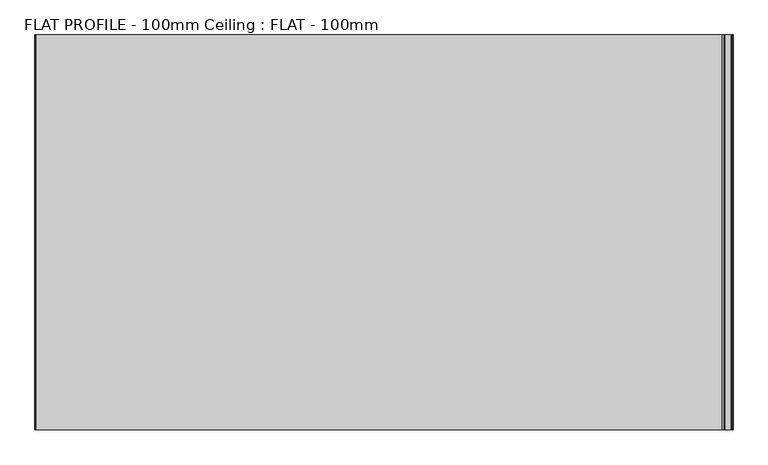
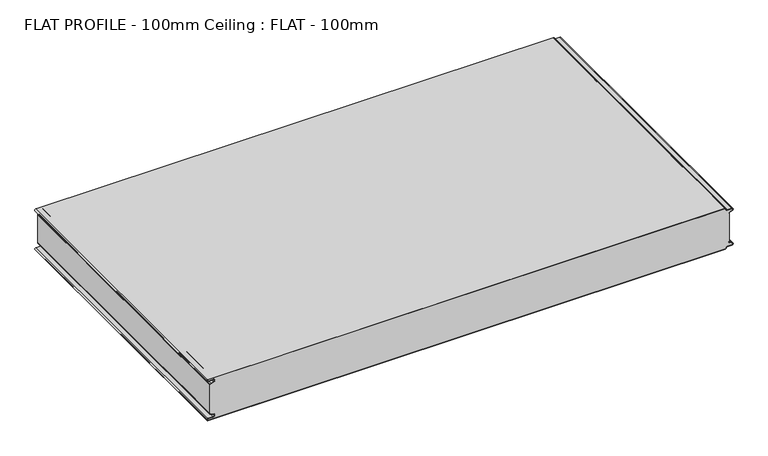
"""IFC4 building model written with IfcOpenShell, lengths in millimetres: proxy geometry, FLAT PROFILE - 100mm Ceiling : FLAT - 100mm."""

from ifc_helpers import new_model, si_unit, point, frame, frame_2d, origin, place, context, project, spatial, polyline, circle_curve, trimmed, segment, composite_curve, outline, extrude, source, transform, mapped, element, save


def flat_profile_100mm_ceiling_flat_100mm_7cf9c173(model_context):
    return source(origin(), model_context, "Body", "SweptSolid", [
        extrude(outline(composite_curve([segment(polyline([(-591.3794419, 36.112897), (-589.3904999, 36.9138857), (-583.8995097, 38.9124426)]), True, "CONTINUOUS"), segment(trimmed(circle_curve(frame_2d((-585.2882153, 42.3376495)), 3.6960175), [point((-583.8995097, 38.9124426))], [point((-584.9273771, 46.0160107))], True, "CARTESIAN"), True, "CONTINUOUS"), segment(polyline([(-584.9273771, 46.0160107), (-597.3733883, 46.0160107)]), True, "CONTINUOUS"), segment(trimmed(circle_curve(frame_2d((-597.4921978, 47.5112981)), 1.5), [point((-597.3733883, 46.0160107))], [point((-597.3084562, 49.0000019))], False, "CARTESIAN"), True, "CONTINUOUS"), segment(polyline([(-597.3084562, 49.0000019), (596.902372, 49.0000019)]), True, "CONTINUOUS"), segment(trimmed(circle_curve(frame_2d((596.9047345, 47.4926459)), 1.5073578), [point((596.902372, 49.0000019))], [point((598.4115951, 47.4539338))], False, "CARTESIAN"), True, "CONTINUOUS"), segment(trimmed(circle_curve(frame_2d((601.9112919, 47.5000019)), 3.5), [point((598.4115951, 47.4539338))], [point((601.9112919, 44.0000019))], True, "CARTESIAN"), True, "CONTINUOUS"), segment(polyline([(601.9112919, 44.0000019), (612.3116271, 44.0000019)]), True, "CONTINUOUS"), segment(trimmed(circle_curve(frame_2d((612.3116271, 41.9000019)), 2.1), [point((612.3116271, 44.0000019))], [point((613.0435993, 39.9316989))], False, "CARTESIAN"), True, "CONTINUOUS"), segment(polyline([(613.0435993, 39.9316989), (610.7828028, 39.1063001), (607.8546835, 37.9154156)]), True, "CONTINUOUS"), segment(trimmed(circle_curve(frame_2d((608.9399875, 35.2468954)), 2.8807786), [point((607.8546835, 37.9154156))], [point((606.0682599, 35.475074))], True, "CARTESIAN"), True, "CONTINUOUS"), segment(polyline([(606.0682599, 35.475074), (606.0107004, 34.2522232), (607.0118076, 34.2522232), (607.0118076, -34.2522195), (606.0107004, -34.2522195), (606.0682599, -35.4750703)]), True, "CONTINUOUS"), segment(trimmed(circle_curve(frame_2d((608.9399875, -35.2468916)), 2.8807786), [point((606.0682599, -35.4750703))], [point((607.8546835, -37.9154119))], True, "CARTESIAN"), True, "CONTINUOUS"), segment(polyline([(607.8546835, -37.9154119), (610.7828028, -39.1062964), (613.0435993, -39.9316951)]), True, "CONTINUOUS"), segment(trimmed(circle_curve(frame_2d((612.3116271, -41.8999981)), 2.1), [point((613.0435993, -39.9316951))], [point((612.3116271, -43.9999981))], False, "CARTESIAN"), True, "CONTINUOUS"), segment(polyline([(612.3116271, -43.9999981), (601.9112919, -43.9999981)]), True, "CONTINUOUS"), segment(trimmed(circle_curve(frame_2d((601.9112919, -47.4999981)), 3.5), [point((601.9112919, -43.9999981))], [point((598.4115951, -47.45393))], True, "CARTESIAN"), True, "CONTINUOUS"), segment(trimmed(circle_curve(frame_2d((596.9047345, -47.4926422)), 1.5073578), [point((598.4115951, -47.45393))], [point((596.902372, -48.9999981))], False, "CARTESIAN"), True, "CONTINUOUS"), segment(polyline([(596.902372, -48.9999981), (-597.3084562, -48.9999981)]), True, "CONTINUOUS"), segment(trimmed(circle_curve(frame_2d((-597.4921978, -47.5112943)), 1.5), [point((-597.3084562, -48.9999981))], [point((-597.3733883, -46.016007))], False, "CARTESIAN"), True, "CONTINUOUS"), segment(polyline([(-597.3733883, -46.016007), (-584.9273771, -46.016007)]), True, "CONTINUOUS"), segment(trimmed(circle_curve(frame_2d((-585.2882153, -42.3376458)), 3.6960175), [point((-584.9273771, -46.016007))], [point((-583.8995097, -38.9124389))], True, "CARTESIAN"), True, "CONTINUOUS"), segment(polyline([(-583.8995097, -38.9124389), (-589.3904999, -36.9138819), (-591.3794419, -36.1128932)]), True, "CONTINUOUS"), segment(trimmed(circle_curve(frame_2d((-591.0050311, -35.1831907)), 1.0022625), [point((-591.3794419, -36.1128932))], [point((-591.9881924, -35.3779319))], False, "CARTESIAN"), True, "CONTINUOUS"), segment(polyline([(-591.9881924, -35.3779319), (-591.9881924, -34.2522213), (-592.9881924, -34.2522213), (-592.9881924, 34.2522214), (-591.9881924, 34.2522214), (-591.9881924, 35.3779357)]), True, "CONTINUOUS"), segment(trimmed(circle_curve(frame_2d((-591.0050311, 35.1831944)), 1.0022625), [point((-591.9881924, 35.3779357))], [point((-591.3794419, 36.112897))], False, "CARTESIAN"), True, "CONTINUOUS")], self_intersect=False)), frame((0.0, 1812.4999952, 2499.9999963), z_axis=(0.0, 1.0, 6.810226142717486e-10), x_axis=(1.0, 0.0, 0.0)), (0.0, 0.0, 1.0), 687.500005),
        extrude(outline(composite_curve([segment(trimmed(circle_curve(frame_2d((-591.0050311, 35.1831926)), 1.0022625), [point((-591.3794419, 36.1128951))], [point((-591.9881924, 35.3779338))], True, "CARTESIAN"), True, "CONTINUOUS"), segment(polyline([(-591.9881924, 35.3779338), (-591.9881924, 34.2522195), (-592.9881924, 34.2522195), (-592.9881924, 35.4591033)]), True, "CONTINUOUS"), segment(trimmed(circle_curve(frame_2d((-591.0050311, 35.1831926)), 2.0022625), [point((-592.9881924, 35.4591033))], [point((-591.7530074, 37.0404989))], False, "CARTESIAN"), True, "CONTINUOUS"), segment(polyline([(-591.7530074, 37.0404989), (-589.7483949, 37.8477985), (-584.2598383, 39.8454697)]), True, "CONTINUOUS"), segment(trimmed(circle_curve(frame_2d((-585.2882153, 42.3376477)), 2.6960175), [point((-584.2598383, 39.8454697))], [point((-584.9801705, 45.0160089))], True, "CARTESIAN"), True, "CONTINUOUS"), segment(polyline([(-584.9801705, 45.0160089), (-597.3387672, 45.0160089)]), True, "CONTINUOUS"), segment(trimmed(circle_curve(frame_2d((-597.4921978, 47.5112962)), 2.5), [point((-597.3387672, 45.0160089))], [point((-597.2548091, 50.0))], False, "CARTESIAN"), True, "CONTINUOUS"), segment(polyline([(-597.2548091, 50.0), (596.9016875, 50.0)]), True, "CONTINUOUS"), segment(trimmed(circle_curve(frame_2d((596.9047345, 47.4926441)), 2.5073578), [point((596.9016875, 50.0))], [point((599.4117582, 47.4517157))], False, "CARTESIAN"), True, "CONTINUOUS"), segment(trimmed(circle_curve(frame_2d((601.9112919, 47.5)), 2.5), [point((599.4117582, 47.4517157))], [point((601.9112919, 45.0))], True, "CARTESIAN"), True, "CONTINUOUS"), segment(polyline([(601.9112919, 45.0), (612.3116271, 45.0)]), True, "CONTINUOUS"), segment(trimmed(circle_curve(frame_2d((612.3116271, 41.9)), 3.1), [point((612.3116271, 45.0))], [point((613.3890842, 38.9932688))], False, "CARTESIAN"), True, "CONTINUOUS"), segment(polyline([(613.3890842, 38.9932688), (611.1427659, 38.173156), (608.2411829, 37.054925)]), True, "CONTINUOUS"), segment(trimmed(circle_curve(frame_2d((609.0514567, 35.1592648)), 2.0615701), [point((608.2411829, 37.054925))], [point((607.0118076, 35.4591033))], True, "CARTESIAN"), True, "CONTINUOUS"), segment(polyline([(607.0118076, 35.4591033), (607.0118076, 34.2522214), (606.0107004, 34.2522214), (606.0682599, 35.4750722)]), True, "CONTINUOUS"), segment(trimmed(circle_curve(frame_2d((608.9399875, 35.2468935)), 2.8807786), [point((606.0682599, 35.4750722))], [point((607.8546835, 37.9154137))], False, "CARTESIAN"), True, "CONTINUOUS"), segment(polyline([(607.8546835, 37.9154137), (610.7828028, 39.1062983), (613.0435993, 39.931697)]), True, "CONTINUOUS"), segment(trimmed(circle_curve(frame_2d((612.3116271, 41.9)), 2.1), [point((613.0435993, 39.931697))], [point((612.3116271, 44.0))], True, "CARTESIAN"), True, "CONTINUOUS"), segment(polyline([(612.3116271, 44.0), (601.9112919, 44.0)]), True, "CONTINUOUS"), segment(trimmed(circle_curve(frame_2d((601.9112919, 47.5)), 3.5), [point((601.9112919, 44.0))], [point((598.4115951, 47.4539319))], False, "CARTESIAN"), True, "CONTINUOUS"), segment(trimmed(circle_curve(frame_2d((596.9047345, 47.4926441)), 1.5073578), [point((598.4115951, 47.4539319))], [point((596.902372, 49.0))], True, "CARTESIAN"), True, "CONTINUOUS"), segment(polyline([(596.902372, 49.0), (-597.3084562, 49.0)]), True, "CONTINUOUS"), segment(trimmed(circle_curve(frame_2d((-597.4921978, 47.5112962)), 1.5), [point((-597.3084562, 49.0))], [point((-597.3733883, 46.0160089))], True, "CARTESIAN"), True, "CONTINUOUS"), segment(polyline([(-597.3733883, 46.0160089), (-584.9273771, 46.0160089)]), True, "CONTINUOUS"), segment(trimmed(circle_curve(frame_2d((-585.2882153, 42.3376477)), 3.6960175), [point((-584.9273771, 46.0160089))], [point((-583.8995097, 38.9124408))], False, "CARTESIAN"), True, "CONTINUOUS"), segment(polyline([(-583.8995097, 38.9124408), (-589.3904999, 36.9138838), (-591.3794419, 36.1128951)]), True, "CONTINUOUS")], self_intersect=False)), frame((0.0, 1812.4999935, 2500.0000097), z_axis=(0.0, 1.0, 6.810226142717486e-10), x_axis=(1.0, 0.0, 0.0)), (0.0, 0.0, 1.0), 687.500005),
        extrude(outline(composite_curve([segment(polyline([(-591.3794419, -36.1128951), (-589.3904999, -36.9138838), (-583.8995097, -38.9124407)]), True, "CONTINUOUS"), segment(trimmed(circle_curve(frame_2d((-585.2882153, -42.3376476)), 3.6960175), [point((-583.8995097, -38.9124407))], [point((-584.9273771, -46.0160088))], False, "CARTESIAN"), True, "CONTINUOUS"), segment(polyline([(-584.9273771, -46.0160088), (-597.3733883, -46.0160088)]), True, "CONTINUOUS"), segment(trimmed(circle_curve(frame_2d((-597.4921978, -47.5112962)), 1.5), [point((-597.3733883, -46.0160088))], [point((-597.3084562, -49.0))], True, "CARTESIAN"), True, "CONTINUOUS"), segment(polyline([(-597.3084562, -49.0), (596.902372, -49.0)]), True, "CONTINUOUS"), segment(trimmed(circle_curve(frame_2d((596.9047345, -47.492644)), 1.5073578), [point((596.902372, -49.0))], [point((598.4115951, -47.4539319))], True, "CARTESIAN"), True, "CONTINUOUS"), segment(trimmed(circle_curve(frame_2d((601.9112919, -47.5)), 3.5), [point((598.4115951, -47.4539319))], [point((601.9112919, -44.0))], False, "CARTESIAN"), True, "CONTINUOUS"), segment(polyline([(601.9112919, -44.0), (612.3116271, -44.0)]), True, "CONTINUOUS"), segment(trimmed(circle_curve(frame_2d((612.3116271, -41.9)), 2.1), [point((612.3116271, -44.0))], [point((613.0435993, -39.931697))], True, "CARTESIAN"), True, "CONTINUOUS"), segment(polyline([(613.0435993, -39.931697), (610.7828028, -39.1062982), (607.8546835, -37.9154137)]), True, "CONTINUOUS"), segment(trimmed(circle_curve(frame_2d((608.9399875, -35.2468935)), 2.8807786), [point((607.8546835, -37.9154137))], [point((606.0682599, -35.4750721))], False, "CARTESIAN"), True, "CONTINUOUS"), segment(polyline([(606.0682599, -35.4750721), (606.0107004, -34.2522214), (607.0118076, -34.2522214), (607.0118076, -35.4591033)]), True, "CONTINUOUS"), segment(trimmed(circle_curve(frame_2d((609.0514567, -35.1592647)), 2.0615701), [point((607.0118076, -35.4591033))], [point((608.2411829, -37.054925))], True, "CARTESIAN"), True, "CONTINUOUS"), segment(polyline([(608.2411829, -37.054925), (611.1427659, -38.173156), (613.3890842, -38.9932688)]), True, "CONTINUOUS"), segment(trimmed(circle_curve(frame_2d((612.3116271, -41.9)), 3.1), [point((613.3890842, -38.9932688))], [point((612.3116271, -45.0))], False, "CARTESIAN"), True, "CONTINUOUS"), segment(polyline([(612.3116271, -45.0), (601.9112919, -45.0)]), True, "CONTINUOUS"), segment(trimmed(circle_curve(frame_2d((601.9112919, -47.5)), 2.5), [point((601.9112919, -45.0))], [point((599.4117582, -47.4517157))], True, "CARTESIAN"), True, "CONTINUOUS"), segment(trimmed(circle_curve(frame_2d((596.9047345, -47.492644)), 2.5073578), [point((599.4117582, -47.4517157))], [point((596.9016875, -50.0))], False, "CARTESIAN"), True, "CONTINUOUS"), segment(polyline([(596.9016875, -50.0), (-597.2548091, -50.0)]), True, "CONTINUOUS"), segment(trimmed(circle_curve(frame_2d((-597.4921978, -47.5112962)), 2.5), [point((-597.2548091, -50.0))], [point((-597.3387672, -45.0160088))], False, "CARTESIAN"), True, "CONTINUOUS"), segment(polyline([(-597.3387672, -45.0160088), (-584.9801705, -45.0160088)]), True, "CONTINUOUS"), segment(trimmed(circle_curve(frame_2d((-585.2882153, -42.3376476)), 2.6960175), [point((-584.9801705, -45.0160088))], [point((-584.2598383, -39.8454696))], True, "CARTESIAN"), True, "CONTINUOUS"), segment(polyline([(-584.2598383, -39.8454696), (-589.7483949, -37.8477984), (-591.7530074, -37.0404988)]), True, "CONTINUOUS"), segment(trimmed(circle_curve(frame_2d((-591.0050311, -35.1831925)), 2.0022625), [point((-591.7530074, -37.0404988))], [point((-592.9881924, -35.4591033))], False, "CARTESIAN"), True, "CONTINUOUS"), segment(polyline([(-592.9881924, -35.4591033), (-592.9881924, -34.2522195), (-591.9881924, -34.2522195), (-591.9881924, -35.3779338)]), True, "CONTINUOUS"), segment(trimmed(circle_curve(frame_2d((-591.0050311, -35.1831925)), 1.0022625), [point((-591.9881924, -35.3779338))], [point((-591.3794419, -36.1128951))], True, "CARTESIAN"), True, "CONTINUOUS")], self_intersect=False)), frame((0.0, 1812.4999935, 2500.0000097), z_axis=(0.0, 1.0, 6.810226142717486e-10), x_axis=(1.0, 0.0, 0.0)), (0.0, 0.0, 1.0), 687.500005),
    ])


if __name__ == "__main__":
    model = new_model("IFC4")
    model_context = context("Model", 3, world=origin())
    ifc_project = project(units=[si_unit("LENGTHUNIT", "METRE", prefix="MILLI")], contexts=[model_context])
    site = spatial("IfcSite", under=ifc_project)
    building = spatial("IfcBuilding", under=site)
    placement = place(None, origin())
    flat_profile_100mm_ceiling_flat_100mm_shape = flat_profile_100mm_ceiling_flat_100mm_7cf9c173(model_context)
    element("IfcBuildingElementProxy", 1, Name="FLAT PROFILE - 100mm Ceiling : FLAT - 100mm", ObjectType="FLAT PROFILE - 100mm Ceiling : FLAT - 100mm", at=placement, inside=building, context=model_context, shape_type="MappedRepresentation", body=[
        mapped(flat_profile_100mm_ceiling_flat_100mm_shape, transform((0.0, 0.0, 0.0), x_axis=(1.0, 0.0, 0.0), y_axis=(0.0, 1.0, 0.0), z_axis=(0.0, 0.0, 1.0))),
    ])
    save(model, "model.ifc")
